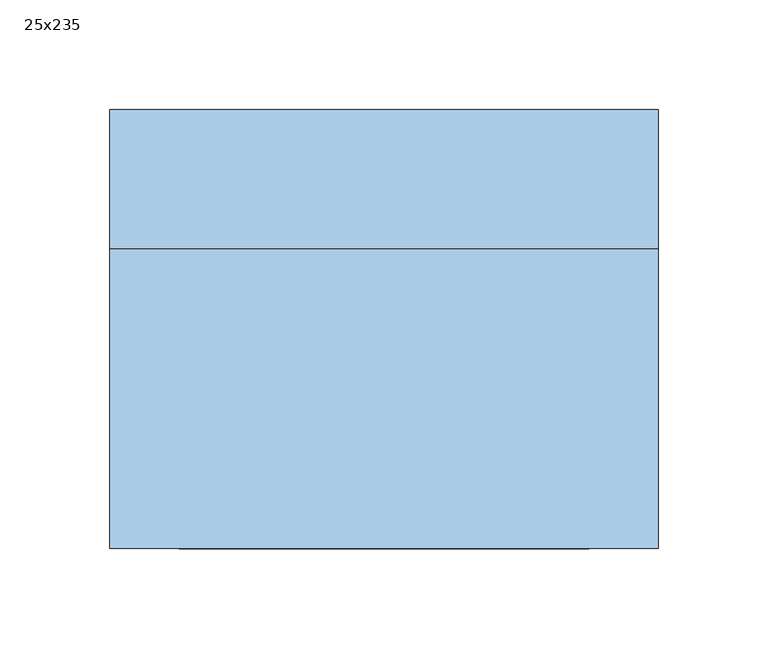
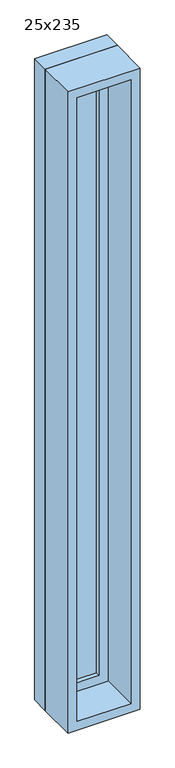
"""IFC4 building model written with IfcOpenShell, lengths in millimetres: window geometry, 25x235."""

from ifc_helpers import new_model, si_unit, frame, origin, place, context, project, spatial, polyline, outline, extrude, source, transform, mapped, element, save


def window_25x235_49035e8f(model_context):
    return source(origin(), model_context, "Body", "SweptSolid", [
        extrude(outline(polyline([(23.4, 52.375), (-99.6, 52.375), (-99.6, 65.075), (23.4, 65.075), (23.4, 52.375)])), frame((0.0, 0.0, 977.9), z_axis=(0.0, 0.0, 1.0), x_axis=(1.0, 0.0, 0.0)), (0.0, 0.0, 1.0), 2223.0),
        extrude(outline(polyline([(3245.35, -144.05), (933.45, -144.05), (933.45, 67.85), (3245.35, 67.85), (3245.35, -144.05)]), holes=[polyline([(3200.9, -99.6), (3200.9, 23.4), (977.9, 23.4), (977.9, -99.6), (3200.9, -99.6)])]), frame((0.0, 36.5, 0.0), z_axis=(0.0, 1.0, 0.0), x_axis=(0.0, 0.0, 1.0)), (0.0, 0.0, 1.0), 44.45),
        extrude(outline(polyline([(3264.4, -163.1), (914.4, -163.1), (914.4, 86.9), (3264.4, 86.9), (3264.4, -163.1)]), holes=[polyline([(3232.65, -131.35), (3232.65, 55.15), (946.15, 55.15), (946.15, -131.35), (3232.65, -131.35)])]), frame((0.0, -100.0, 0.0), z_axis=(0.0, 1.0, 0.0), x_axis=(0.0, 0.0, 1.0)), (0.0, 0.0, 1.0), 136.5),
        extrude(outline(polyline([(3264.4, 86.9), (3264.4, -163.1), (914.4, -163.1), (914.4, 86.9), (3264.4, 86.9)]), holes=[polyline([(3245.35, 67.85), (933.45, 67.85), (933.45, -144.05), (3245.35, -144.05), (3245.35, 67.85)])]), frame((0.0, 36.5, 0.0), z_axis=(0.0, 1.0, 0.0), x_axis=(0.0, 0.0, 1.0)), (0.0, 0.0, 1.0), 63.5),
    ])


if __name__ == "__main__":
    model = new_model("IFC4")
    model_context = context("Model", 3, world=origin())
    ifc_project = project(units=[si_unit("LENGTHUNIT", "METRE", prefix="MILLI")], contexts=[model_context])
    site = spatial("IfcSite", under=ifc_project)
    building = spatial("IfcBuilding", under=site)
    placement = place(None, origin())
    window_25x235_shape = window_25x235_49035e8f(model_context)
    element("IfcWindow", 1, ObjectType="25x235", at=placement, inside=building, context=model_context, shape_type="MappedRepresentation", body=[
        mapped(window_25x235_shape, transform((0.0, 0.0, 0.0), x_axis=(1.0, 0.0, 0.0), y_axis=(0.0, 1.0, 0.0), z_axis=(0.0, 0.0, 1.0))),
    ])
    save(model, "model.ifc")
